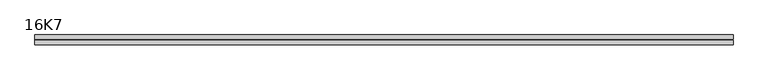
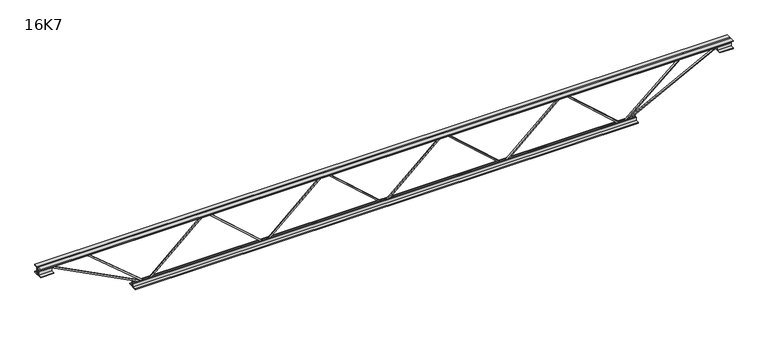
"""IFC4 building model written with IfcOpenShell, lengths in millimetres: beam geometry, 16K7."""

from ifc_helpers import new_model, si_unit, frame, origin, place, context, project, spatial, polyline, outline, extrude, source, transform, mapped, element, save


def beam_16k7_1f0bbf02(model_context):
    return source(origin(), model_context, "Body", "SweptSolid", [
        extrude(outline(polyline([(-191.9, 0.0), (-201.4, 0.0), (-201.4, 4.9864908), (191.9, 445.6364908), (191.9, 448.3635092), (-201.4, 889.0135092), (-201.4, 894.0), (-191.9, 894.0), (-191.9, 892.6364908), (201.4, 451.9864908), (201.4, 442.0135092), (-191.9, 1.3635092), (-191.9, 0.0)])), frame((0.0, -4.75, 0.0), z_axis=(0.0, 1.0, 0.0), x_axis=(0.0, 0.0, 1.0)), (0.0, 0.0, 1.0), 9.5),
        extrude(outline(polyline([(-191.9, -894.0), (-201.4, -894.0), (-201.4, -889.0135092), (191.9, -448.3635092), (191.9, -445.6364908), (-201.4, -4.9864908), (-201.4, 0.0), (-191.9, 0.0), (-191.9, -1.3635092), (201.4, -442.0135092), (201.4, -451.9864908), (-191.9, -892.6364908), (-191.9, -894.0)])), frame((0.0, -4.75, 0.0), z_axis=(0.0, 1.0, 0.0), x_axis=(0.0, 0.0, 1.0)), (0.0, 0.0, 1.0), 9.5),
        extrude(outline(polyline([(-191.9, 894.0), (-201.4, 894.0), (-201.4, 898.9864908), (191.9, 1339.6364908), (191.9, 1342.3635092), (-201.4, 1783.0135092), (-201.4, 1788.0), (-191.9, 1788.0), (-191.9, 1786.6364908), (201.4, 1345.9864908), (201.4, 1336.0135092), (-191.9, 895.3635092), (-191.9, 894.0)])), frame((0.0, -4.75, 0.0), z_axis=(0.0, 1.0, 0.0), x_axis=(0.0, 0.0, 1.0)), (0.0, 0.0, 1.0), 9.5),
        extrude(outline(polyline([(-191.9, -1788.0), (-201.4, -1788.0), (-201.4, -1783.0135092), (191.9, -1342.3635092), (191.9, -1339.6364908), (-201.4, -898.9864908), (-201.4, -894.0), (-191.9, -894.0), (-191.9, -895.3635092), (201.4, -1336.0135092), (201.4, -1345.9864908), (-191.9, -1786.6364908), (-191.9, -1788.0)])), frame((0.0, -4.75, 0.0), z_axis=(0.0, 1.0, 0.0), x_axis=(0.0, 0.0, 1.0)), (0.0, 0.0, 1.0), 9.5),
        extrude(outline(polyline([(4.75, 203.0), (36.75, 203.0), (36.75, 196.5), (11.25, 196.5), (11.25, 171.0), (4.75, 171.0), (4.75, 203.0)])), frame((-2600.0, 0.0, 0.0), z_axis=(1.0, 0.0, 0.0), x_axis=(0.0, 1.0, 0.0)), (0.0, 0.0, 1.0), 5200.0),
        extrude(outline(polyline([(-4.75, 203.0), (-4.75, 171.0), (-11.25, 171.0), (-11.25, 196.5), (-36.75, 196.5), (-36.75, 203.0), (-4.75, 203.0)])), frame((-2600.0, 0.0, 0.0), z_axis=(1.0, 0.0, 0.0), x_axis=(0.0, 1.0, 0.0)), (0.0, 0.0, 1.0), 5200.0),
        extrude(outline(polyline([(-4.75, 139.5), (-36.75, 139.5), (-36.75, 146.0), (-11.25, 146.0), (-11.25, 171.0), (-4.75, 171.0), (-4.75, 139.5)])), frame((-2600.0, 0.0, 0.0), z_axis=(1.0, 0.0, 0.0), x_axis=(0.0, 1.0, 0.0)), (0.0, 0.0, 1.0), 100.0),
        extrude(outline(polyline([(36.75, 139.5), (4.75, 139.5), (4.75, 171.0), (11.25, 171.0), (11.25, 146.0), (36.75, 146.0), (36.75, 139.5)])), frame((-2600.0, 0.0, 0.0), z_axis=(1.0, 0.0, 0.0), x_axis=(0.0, 1.0, 0.0)), (0.0, 0.0, 1.0), 100.0),
        extrude(outline(polyline([(4.75, 139.5), (4.75, 171.0), (11.25, 171.0), (11.25, 146.0), (36.75, 146.0), (36.75, 139.5), (4.75, 139.5)])), frame((2500.0, 0.0, 0.0), z_axis=(1.0, 0.0, 0.0), x_axis=(0.0, 1.0, 0.0)), (0.0, 0.0, 1.0), 100.0),
        extrude(outline(polyline([(-4.75, 139.5), (-36.75, 139.5), (-36.75, 146.0), (-11.25, 146.0), (-11.25, 171.0), (-4.75, 171.0), (-4.75, 139.5)])), frame((2500.0, 0.0, 0.0), z_axis=(1.0, 0.0, 0.0), x_axis=(0.0, 1.0, 0.0)), (0.0, 0.0, 1.0), 100.0),
        extrude(outline(polyline([(4.75, -203.0), (4.75, -171.0), (11.25, -171.0), (11.25, -196.5), (36.75, -196.5), (36.75, -203.0), (4.75, -203.0)])), frame((-1888.0, 0.0, 0.0), z_axis=(1.0, 0.0, 0.0), x_axis=(0.0, 1.0, 0.0)), (0.0, 0.0, 1.0), 3776.0),
        extrude(outline(polyline([(-4.75, -203.0), (-36.75, -203.0), (-36.75, -196.5), (-11.25, -196.5), (-11.25, -171.0), (-4.75, -171.0), (-4.75, -203.0)])), frame((-1888.0, 0.0, 0.0), z_axis=(1.0, 0.0, 0.0), x_axis=(0.0, 1.0, 0.0)), (0.0, 0.0, 1.0), 3776.0),
        extrude(outline(polyline([(-200.8705467, -1790.1793315), (-192.4294533, -1785.8206685), (175.75, -2498.8460208), (175.75, -2600.0), (166.25, -2600.0), (166.25, -2501.1539792), (-200.8705467, -1790.1793315)])), frame((0.0, -4.75, 0.0), z_axis=(0.0, 1.0, 0.0), x_axis=(0.0, 0.0, 1.0)), (0.0, 0.0, 1.0), 9.5),
        extrude(outline(polyline([(188.7, -2254.9571429), (179.2, -2254.9571429), (179.2, -2243.9840304), (-200.2909479, -1791.0505734), (-193.0090521, -1784.9494266), (188.7, -2240.5302553), (188.7, -2254.9571429)])), frame((0.0, -4.75, 0.0), z_axis=(0.0, 1.0, 0.0), x_axis=(0.0, 0.0, 1.0)), (0.0, 0.0, 1.0), 9.5),
        extrude(outline(polyline([(0.0, -9.5), (0.0, 0.0), (801.3179909, 0.0), (801.3179909, -9.5), (0.0, -9.5)])), frame((2502.1793315, -4.75, 166.7794533), z_axis=(-0.45880662132449607, 0.0, 0.8885361468329809), x_axis=(-0.8885361468329809, 0.0, -0.45880662132449607)), (0.0, 0.0, 1.0), 9.5),
        extrude(outline(polyline([(0.0, -9.5), (0.0, 0.0), (606.3664947, 0.0), (606.3664947, -9.5), (0.0, -9.5)])), frame((2252.5952195, -4.75, 193.0347065), z_axis=(-0.6486176321173057, 0.0, 0.7611144245818361), x_axis=(-0.7611144245818361, 0.0, -0.6486176321173057)), (0.0, 0.0, 1.0), 9.5),
    ])


if __name__ == "__main__":
    model = new_model("IFC4")
    model_context = context("Model", 3, world=origin())
    ifc_project = project(units=[si_unit("LENGTHUNIT", "METRE", prefix="MILLI")], contexts=[model_context])
    site = spatial("IfcSite", under=ifc_project)
    building = spatial("IfcBuilding", under=site)
    placement = place(None, origin())
    beam_16k7_shape = beam_16k7_1f0bbf02(model_context)
    element("IfcBeam", 1, ObjectType="16K7", at=placement, inside=building, context=model_context, shape_type="MappedRepresentation", body=[
        mapped(beam_16k7_shape, transform((0.0, 0.0, 0.0), x_axis=(1.0, 0.0, 0.0), y_axis=(0.0, 1.0, 0.0), z_axis=(0.0, 0.0, 1.0))),
    ])
    save(model, "model.ifc")
